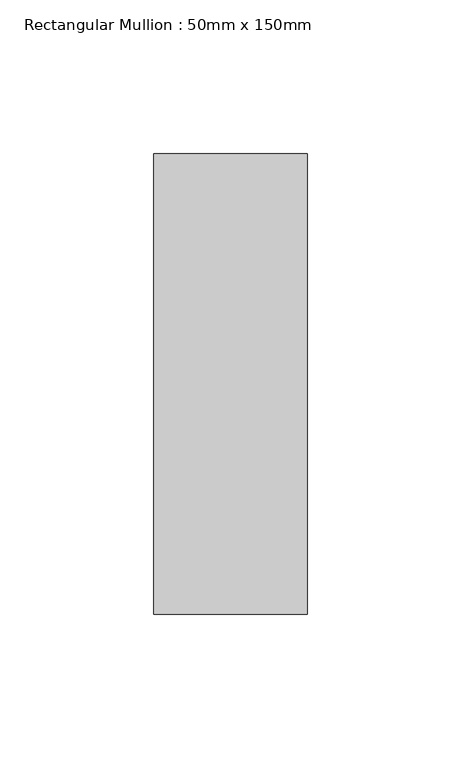
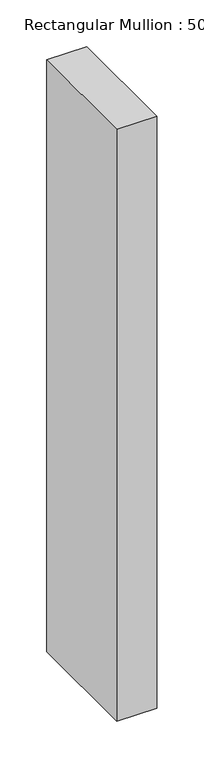
"""IFC4 building model written with IfcOpenShell, lengths in millimetres: member geometry, Rectangular Mullion : 50mm x 150mm."""

import ifcopenshell
import ifcopenshell.guid

model = None  # the IFC model being written
_history = None  # IfcOwnerHistory: only IFC2X3 demands one
_inside = {}  # id of a spatial element -> (the spatial element, [elements in it])
_under = {}  # id of a project, library or spatial element -> (it, [spatial elements below it])
_declared = {}  # id of a project -> (the project, [libraries it declares])
_typed = {}  # id of a type object -> (the type object, [elements of that type])
_made_of = {}  # id of a material, layer set ... -> (it, [elements and type objects made of it])


def new_model(schema):
    """Start an empty IFC model of exactly this schema.

    Asked for "IFC4X3", IfcOpenShell would pick the latest addendum, in which some entities
    have other attributes; the version numbers below select the first issue.
    IFC2X3 requires an IfcOwnerHistory on every rooted entity: one is made here for all.
    """
    global model, _history
    if schema == "IFC4X3":
        model = ifcopenshell.file(schema_version=(4, 3, 0, 0))
    else:
        model = ifcopenshell.file(schema=schema)
    _inside.clear()
    _under.clear()
    _declared.clear()
    _typed.clear()
    _made_of.clear()
    _history = None
    if model.schema == "IFC2X3":
        org = make("IfcOrganization", Name="unknown")
        user = make(
            "IfcPersonAndOrganization",
            ThePerson=make("IfcPerson", FamilyName="unknown"),
            TheOrganization=org,
        )
        app = make(
            "IfcApplication",
            ApplicationDeveloper=org,
            Version="unknown",
            ApplicationFullName="unknown",
            ApplicationIdentifier="unknown",
        )
        _history = make(
            "IfcOwnerHistory",
            OwningUser=user,
            OwningApplication=app,
            ChangeAction="ADDED",
            CreationDate=0,
        )
    return model


def make(cls, **values):
    """One entity of the class cls with the attributes given. An attribute that is None is left unset."""
    return model.create_entity(
        cls, **{name: value for name, value in values.items() if value is not None}
    )


def rooted(cls, **values):
    """An entity with a GlobalId (a new one), such as an element, a storey or a relation."""
    return make(cls, GlobalId=ifcopenshell.guid.new(), OwnerHistory=_history, **values)


def si_unit(unit_type, name, prefix=None):
    """IfcSIUnit, for example si_unit("LENGTHUNIT", "METRE", prefix="MILLI")."""
    return make("IfcSIUnit", UnitType=unit_type, Prefix=prefix, Name=name)


def assignment(units):
    """IfcUnitAssignment: the units of a project."""
    return None if units is None else make("IfcUnitAssignment", Units=units)


def point(xyz):
    """IfcCartesianPoint."""
    return None if xyz is None else make("IfcCartesianPoint", Coordinates=xyz)


def direction(xyz):
    """IfcDirection."""
    return None if xyz is None else make("IfcDirection", DirectionRatios=xyz)


def frame(location, z_axis=None, x_axis=None):
    """IfcAxis2Placement3D, a coordinate frame: its origin and axes. An axis left out is left unset."""
    return make(
        "IfcAxis2Placement3D",
        Location=point(location),
        Axis=direction(z_axis),
        RefDirection=direction(x_axis),
    )


def origin():
    """The frame at (0, 0, 0) with its axes left unset."""
    return frame((0.0, 0.0, 0.0))


def place(relative_to, where):
    """IfcLocalPlacement: puts the frame where relative to a parent placement (None: the world)."""
    return make(
        "IfcLocalPlacement", PlacementRelTo=relative_to, RelativePlacement=where
    )


def context(
    kind, dimensions, precision=None, world=None, true_north=None, identifier=None
):
    """IfcGeometricRepresentationContext, for example the 3D "Model" context."""
    return make(
        "IfcGeometricRepresentationContext",
        ContextIdentifier=identifier,
        ContextType=kind,
        CoordinateSpaceDimension=dimensions,
        Precision=precision,
        WorldCoordinateSystem=world,
        TrueNorth=true_north,
    )


def project(units=None, contexts=None):
    """IfcProject with its units and contexts."""
    return rooted(
        "IfcProject",
        Name="project",
        RepresentationContexts=contexts,
        UnitsInContext=assignment(units),
    )


def spatial(cls, under=None, at=None, **own):
    """A site, building, storey or space (cls), placed at a placement, below another one or the project."""
    s = rooted(cls, ObjectPlacement=at, **own)
    if under is not None:
        _under.setdefault(under.id(), (under, []))[1].append(s)
    return s


def polyline(points):
    """IfcPolyline through the points."""
    return make("IfcPolyline", Points=[point(p) for p in points])


def outline(outer, holes=None, kind="AREA"):
    """IfcArbitraryClosedProfileDef: a profile drawn as a closed curve; with holes, ...WithVoids."""
    if holes is None:
        return make("IfcArbitraryClosedProfileDef", ProfileType=kind, OuterCurve=outer)
    return make(
        "IfcArbitraryProfileDefWithVoids",
        ProfileType=kind,
        OuterCurve=outer,
        InnerCurves=holes,
    )


def extrude(swept, where, along, depth):
    """IfcExtrudedAreaSolid: the profile swept, set in the frame where, extruded along a direction by depth."""
    return make(
        "IfcExtrudedAreaSolid",
        SweptArea=swept,
        Position=where,
        ExtrudedDirection=direction(along),
        Depth=depth,
    )


def shape(context_of_items, identifier, shape_type, items):
    """IfcShapeRepresentation: the items that make up one representation, for example the "Body"."""
    return make(
        "IfcShapeRepresentation",
        ContextOfItems=context_of_items,
        RepresentationIdentifier=identifier,
        RepresentationType=shape_type,
        Items=items,
    )


def source(mapping_origin, context_of_items, identifier, shape_type, items):
    """IfcRepresentationMap: a shape defined once, which mapped items show again and again."""
    return make(
        "IfcRepresentationMap",
        MappingOrigin=mapping_origin,
        MappedRepresentation=shape(context_of_items, identifier, shape_type, items),
    )


def transform(
    local_origin,
    x_axis=None,
    y_axis=None,
    z_axis=None,
    scale=None,
    scale2=None,
    scale3=None,
    uniform=True,
):
    """IfcCartesianTransformationOperator3D, or its non-uniform kind. x_axis, y_axis, z_axis: its Axis1, 2, 3."""
    if uniform:
        return make(
            "IfcCartesianTransformationOperator3D",
            Axis1=direction(x_axis),
            Axis2=direction(y_axis),
            LocalOrigin=point(local_origin),
            Scale=scale,
            Axis3=direction(z_axis),
        )
    return make(
        "IfcCartesianTransformationOperator3DnonUniform",
        Axis1=direction(x_axis),
        Axis2=direction(y_axis),
        LocalOrigin=point(local_origin),
        Scale=scale,
        Axis3=direction(z_axis),
        Scale2=scale2,
        Scale3=scale3,
    )


def mapped(mapping_source, mapping_target):
    """IfcMappedItem: shows the shape of a source again, moved by a transform."""
    return make(
        "IfcMappedItem", MappingSource=mapping_source, MappingTarget=mapping_target
    )


def made_of(thing, what):
    """Note that an element or type object is made of a material, layer set ...; save() writes the relation."""
    if what is not None:
        _made_of.setdefault(what.id(), (what, []))[1].append(thing)
    return thing


def element(
    cls,
    number,
    at=None,
    inside=None,
    cuts=None,
    type_object=None,
    material=None,
    context=None,
    identifier="Body",
    shape_type=None,
    held_by="IfcProductDefinitionShape",
    body=None,
    shapes=None,
    **own,
):
    """One element of the class cls, such as IfcWall. Its Tag is "e" and its number.

    at: its placement. inside: the storey or other place that contains it. cuts: it is an
    opening in that element (IfcRelVoidsElement). A single representation is given by context,
    identifier, shape_type and body (its items); several are given by shapes. held_by: the class
    of the entity that holds the representations. save() writes the other relations.
    """
    e = rooted(cls, Tag="e%d" % number, ObjectPlacement=at, **own)
    if body is not None:
        shapes = [shape(context, identifier, shape_type, body)]
    if shapes is not None:
        e.Representation = make(held_by, Representations=shapes)
    if inside is not None:
        _inside.setdefault(inside.id(), (inside, []))[1].append(e)
    if cuts is not None:
        rooted(
            "IfcRelVoidsElement", RelatingBuildingElement=cuts, RelatedOpeningElement=e
        )
    if type_object is not None:
        _typed.setdefault(type_object.id(), (type_object, []))[1].append(e)
    return made_of(e, material)


def aggregate(whole, parts):
    """IfcRelAggregates: a whole, such as a stair, and the parts it consists of."""
    return rooted("IfcRelAggregates", RelatingObject=whole, RelatedObjects=parts)


def save(model, path):
    """Write the relations noted so far, then the file.

    IfcRelAggregates (storeys below a building ...), IfcRelContainedInSpatialStructure (elements
    in a storey), IfcRelDefinesByType, IfcRelAssociatesMaterial and IfcRelDeclares: one each for
    every whole, place, type object, material and project.
    """
    for whole, parts in _under.values():
        aggregate(whole, parts)
    for where, things in _inside.values():
        rooted(
            "IfcRelContainedInSpatialStructure",
            RelatedElements=things,
            RelatingStructure=where,
        )
    for kind, things in _typed.values():
        rooted("IfcRelDefinesByType", RelatedObjects=things, RelatingType=kind)
    for what, things in _made_of.values():
        rooted("IfcRelAssociatesMaterial", RelatedObjects=things, RelatingMaterial=what)
    for by, libraries in _declared.values():
        rooted("IfcRelDeclares", RelatingContext=by, RelatedDefinitions=libraries)
    model.write(path)


def rectangular_mullion_50mm_x_150mm_fe881810(model_context):
    return source(origin(), model_context, "Body", "SweptSolid", [
        extrude(outline(polyline([(0.0, 75.0), (0.0, -75.0), (-50.0, -75.0), (-50.0, 75.0), (0.0, 75.0)])), frame((0.0, 0.0, -774.9752054), z_axis=(0.0, 0.0, 1.0), x_axis=(1.0, 0.0, 0.0)), (0.0, 0.0, 1.0), 774.9752054),
    ])


if __name__ == "__main__":
    model = new_model("IFC4")
    model_context = context("Model", 3, world=origin())
    ifc_project = project(units=[si_unit("LENGTHUNIT", "METRE", prefix="MILLI")], contexts=[model_context])
    site = spatial("IfcSite", under=ifc_project)
    building = spatial("IfcBuilding", under=site)
    placement = place(None, origin())
    rectangular_mullion_50mm_x_150mm_shape = rectangular_mullion_50mm_x_150mm_fe881810(model_context)
    element("IfcMember", 1, ObjectType="Rectangular Mullion : 50mm x 150mm", at=placement, inside=building, context=model_context, shape_type="MappedRepresentation", body=[
        mapped(rectangular_mullion_50mm_x_150mm_shape, transform((0.0, 0.0, 0.0), x_axis=(1.0, 0.0, 0.0), y_axis=(0.0, 1.0, 0.0), z_axis=(0.0, 0.0, 1.0))),
    ])
    save(model, "model.ifc")
